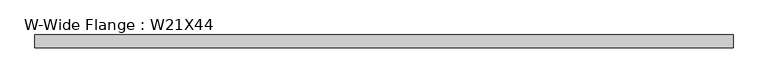
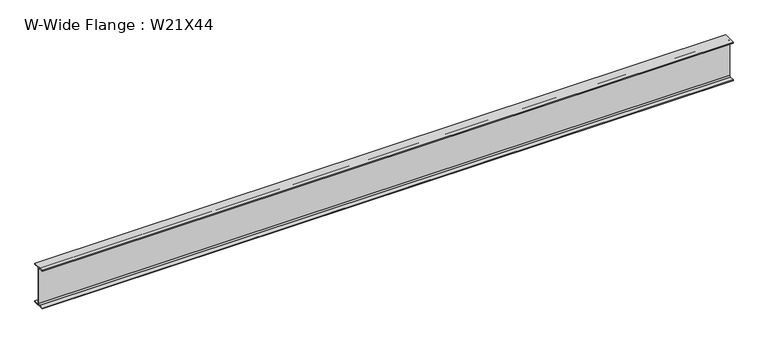
"""IFC4 building model written with IfcOpenShell, lengths in millimetres: beam geometry, W-Wide Flange : W21X44."""

from ifc_helpers import new_model, si_unit, point, frame, frame_2d, origin, place, context, project, spatial, polyline, circle_curve, trimmed, segment, composite_curve, outline, extrude, source, transform, mapped, element, save


def w_wide_flange_w21x44_6976fb5a(model_context):
    return source(origin(), model_context, "Body", "SweptSolid", [
        extrude(outline(composite_curve([segment(polyline([(82.55, -251.4699219), (82.55, -262.8800781), (-82.55, -262.8800781), (-82.55, -251.4699219), (-21.6296875, -251.4699219)]), True, "CONTINUOUS"), segment(trimmed(circle_curve(frame_2d((-21.6296875, -234.3050781)), 17.1648437), [point((-21.6296875, -251.4699219))], [point((-4.4648438, -234.3050781))], True, "CARTESIAN"), True, "CONTINUOUS"), segment(polyline([(-4.4648438, -234.3050781), (-4.4648438, 234.3050781)]), True, "CONTINUOUS"), segment(trimmed(circle_curve(frame_2d((-21.6296875, 234.3050781)), 17.1648437), [point((-4.4648438, 234.3050781))], [point((-21.6296875, 251.4699219))], True, "CARTESIAN"), True, "CONTINUOUS"), segment(polyline([(-21.6296875, 251.4699219), (-82.55, 251.4699219), (-82.55, 262.8800781), (82.55, 262.8800781), (82.55, 251.4699219), (21.6296875, 251.4699219)]), True, "CONTINUOUS"), segment(trimmed(circle_curve(frame_2d((21.6296875, 234.3050781)), 17.1648437), [point((21.6296875, 251.4699219))], [point((4.4648437, 234.3050781))], True, "CARTESIAN"), True, "CONTINUOUS"), segment(polyline([(4.4648437, 234.3050781), (4.4648437, -234.3050781)]), True, "CONTINUOUS"), segment(trimmed(circle_curve(frame_2d((21.6296875, -234.3050781)), 17.1648437), [point((4.4648437, -234.3050781))], [point((21.6296875, -251.4699219))], True, "CARTESIAN"), True, "CONTINUOUS"), segment(polyline([(21.6296875, -251.4699219), (82.55, -251.4699219)]), True, "CONTINUOUS")], self_intersect=False)), frame((-4476.353125, 0.0, 0.0), z_axis=(1.0, 0.0, 0.0), x_axis=(0.0, 1.0, 0.0)), (0.0, 0.0, 1.0), 8930.6300781),
    ])


if __name__ == "__main__":
    model = new_model("IFC4")
    model_context = context("Model", 3, world=origin())
    ifc_project = project(units=[si_unit("LENGTHUNIT", "METRE", prefix="MILLI")], contexts=[model_context])
    site = spatial("IfcSite", under=ifc_project)
    building = spatial("IfcBuilding", under=site)
    placement = place(None, origin())
    w_wide_flange_w21x44_shape = w_wide_flange_w21x44_6976fb5a(model_context)
    element("IfcBeam", 1, ObjectType="W-Wide Flange : W21X44", at=placement, inside=building, context=model_context, shape_type="MappedRepresentation", body=[
        mapped(w_wide_flange_w21x44_shape, transform((0.0, 0.0, 0.0), x_axis=(1.0, 0.0, 0.0), y_axis=(0.0, 1.0, 0.0), z_axis=(0.0, 0.0, 1.0))),
    ])
    save(model, "model.ifc")
